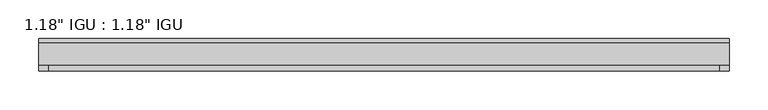
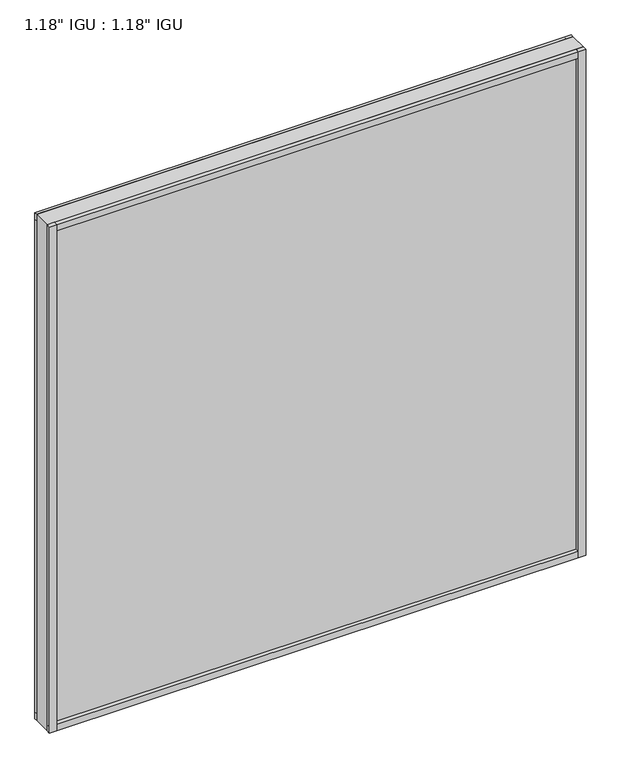
"""IFC4 building model written with IfcOpenShell, lengths in millimetres: plate geometry."""

from ifc_helpers import new_model, si_unit, frame, origin, origin_with_axes, place, context, project, spatial, polyline, outline, extrude, source, transform, mapped, element, save


def plate_fc29c96f(model_context):
    return source(origin(), model_context, "Body", "SweptSolid", [
        extrude(outline(polyline([(444.5, -9.7647125), (444.5, -14.5399125), (-444.5, -14.5399125), (-444.5, -9.7647125), (444.5, -9.7647125)])), origin_with_axes(), (0.0, 0.0, 1.0), 11.1252),
        extrude(outline(polyline([(-444.5, -14.5399125), (-444.5, -9.7647125), (444.5, -9.7647125), (444.5, -14.5399125), (-444.5, -14.5399125)])), frame((0.0, 0.0, 874.7252), z_axis=(0.0, 0.0, 1.0), x_axis=(1.0, 0.0, 0.0)), (0.0, 0.0, 1.0), 11.1252),
        extrude(outline(polyline([(444.5, -44.6643125), (444.5, -51.3953125), (432.3623204, -51.3953125), (432.3623204, -44.6643125), (444.5, -44.6643125)])), origin_with_axes(), (0.0, 0.0, 1.0), 885.8504),
        extrude(outline(polyline([(444.5, -9.7765488), (444.5, -14.5399125), (432.4875762, -14.5399125), (432.4875762, -9.7765488), (444.5, -9.7765488)])), origin_with_axes(), (0.0, 0.0, 1.0), 885.8504),
        extrude(outline(polyline([(-432.4794229, -51.3953125), (-444.5, -51.3953125), (-444.5, -44.6643125), (-432.4794229, -44.6643125), (-432.4794229, -51.3953125)])), origin_with_axes(), (0.0, 0.0, 1.0), 885.8504),
        extrude(outline(polyline([(-432.4794229, -14.5399125), (-444.5, -14.5399125), (-444.5, -9.7647125), (-432.4794229, -9.7647125), (-432.4794229, -14.5399125)])), origin_with_axes(), (0.0, 0.0, 1.0), 885.8504),
        extrude(outline(polyline([(444.5, -44.6643125), (444.5, -51.3953125), (-444.5, -51.3953125), (-444.5, -44.6643125), (444.5, -44.6643125)])), origin_with_axes(), (0.0, 0.0, 1.0), 11.1693096),
        extrude(outline(polyline([(444.5, -44.6643125), (444.5, -51.3953125), (-444.5, -51.3953125), (-444.5, -44.6643125), (444.5, -44.6643125)])), frame((0.0, 0.0, 874.6692942), z_axis=(0.0, 0.0, 1.0), x_axis=(1.0, 0.0, 0.0)), (0.0, 0.0, 1.0), 11.1811058),
        extrude(outline(polyline([(444.5, -44.6643125), (-444.5, -44.6643125), (-444.5, -14.5399125), (444.5, -14.5399125), (444.5, -44.6643125)])), origin_with_axes(), (0.0, 0.0, 1.0), 885.8504),
    ])


if __name__ == "__main__":
    model = new_model("IFC4")
    model_context = context("Model", 3, world=origin())
    ifc_project = project(units=[si_unit("LENGTHUNIT", "METRE", prefix="MILLI")], contexts=[model_context])
    site = spatial("IfcSite", under=ifc_project)
    building = spatial("IfcBuilding", under=site)
    placement = place(None, origin())
    plate_shape = plate_fc29c96f(model_context)
    element("IfcPlate", 1, ObjectType="1.18\" IGU : 1.18\" IGU", at=placement, inside=building, context=model_context, shape_type="MappedRepresentation", body=[
        mapped(plate_shape, transform((0.0, 0.0, 0.0), x_axis=(1.0, 0.0, 0.0), y_axis=(0.0, 1.0, 0.0), z_axis=(0.0, 0.0, 1.0))),
    ])
    save(model, "model.ifc")
